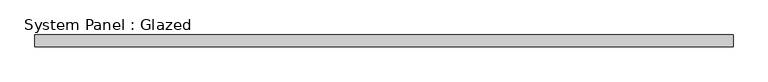
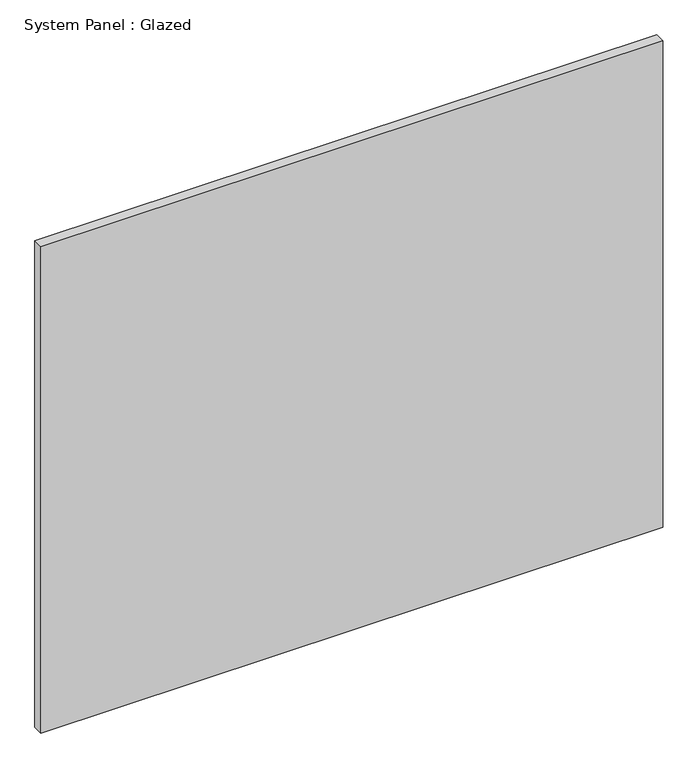
"""IFC4 building model written with IfcOpenShell, lengths in millimetres: plate geometry, System Panel : Glazed."""

from ifc_helpers import new_model, si_unit, origin, origin_with_axes, place, context, project, spatial, polyline, outline, extrude, source, transform, mapped, element, save


def system_panel_glazed_29e62705(model_context):
    return source(origin(), model_context, "Body", "SweptSolid", [
        extrude(outline(polyline([(750.0, -44.45), (-750.0, -44.45), (-750.0, -19.05), (750.0, -19.05), (750.0, -44.45)])), origin_with_axes(), (0.0, 0.0, 1.0), 1240.0),
    ])


if __name__ == "__main__":
    model = new_model("IFC4")
    model_context = context("Model", 3, world=origin())
    ifc_project = project(units=[si_unit("LENGTHUNIT", "METRE", prefix="MILLI")], contexts=[model_context])
    site = spatial("IfcSite", under=ifc_project)
    building = spatial("IfcBuilding", under=site)
    placement = place(None, origin())
    system_panel_glazed_shape = system_panel_glazed_29e62705(model_context)
    element("IfcPlate", 1, ObjectType="System Panel : Glazed", at=placement, inside=building, context=model_context, shape_type="MappedRepresentation", body=[
        mapped(system_panel_glazed_shape, transform((0.0, 0.0, 0.0), x_axis=(1.0, 0.0, 0.0), y_axis=(0.0, 1.0, 0.0), z_axis=(0.0, 0.0, 1.0))),
    ])
    save(model, "model.ifc")
